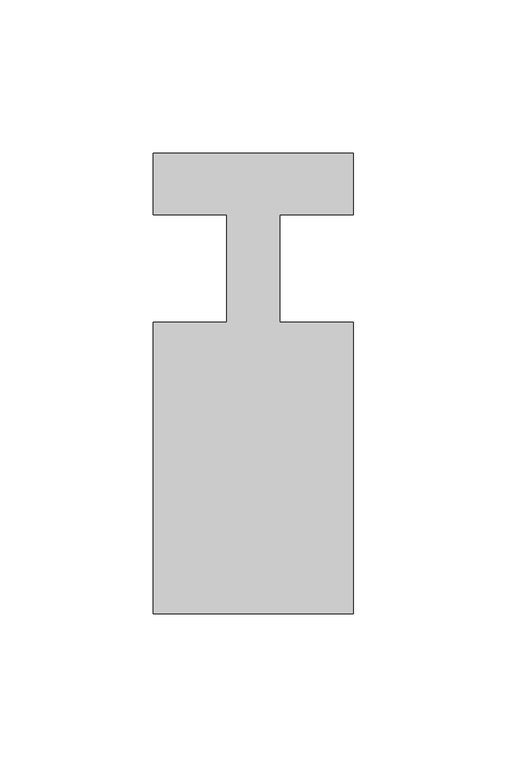
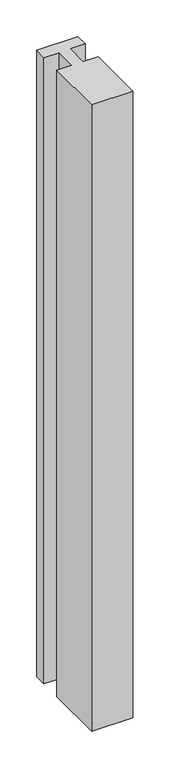
"""IFC4 building model written with IfcOpenShell, lengths in millimetres: member geometry."""

from ifc_helpers import new_model, si_unit, frame, origin, place, context, project, spatial, polyline, outline, extrude, source, transform, mapped, element, save


def member_2bbd4bf4(model_context):
    return source(origin(), model_context, "Body", "SweptSolid", [
        extrude(outline(polyline([(-65.0, 37.0), (0.0, 37.0), (0.0, 17.0), (-23.8125, 17.0), (-23.8125, -18.0), (0.0, -18.0), (0.0, -113.0), (-65.0, -113.0), (-65.0, -18.0), (-41.1875, -18.0), (-41.1875, 17.0), (-65.0, 17.0), (-65.0, 37.0)])), frame((0.0, 0.0, -1042.826087), z_axis=(0.0, 0.0, 1.0), x_axis=(1.0, 0.0, 0.0)), (0.0, 0.0, 1.0), 1042.826087),
    ])


if __name__ == "__main__":
    model = new_model("IFC4")
    model_context = context("Model", 3, world=origin())
    ifc_project = project(units=[si_unit("LENGTHUNIT", "METRE", prefix="MILLI")], contexts=[model_context])
    site = spatial("IfcSite", under=ifc_project)
    building = spatial("IfcBuilding", under=site)
    placement = place(None, origin())
    member_shape = member_2bbd4bf4(model_context)
    element("IfcMember", 1, at=placement, inside=building, context=model_context, shape_type="MappedRepresentation", body=[
        mapped(member_shape, transform((0.0, 0.0, 0.0), x_axis=(1.0, 0.0, 0.0), y_axis=(0.0, 1.0, 0.0), z_axis=(0.0, 0.0, 1.0))),
    ])
    save(model, "model.ifc")
